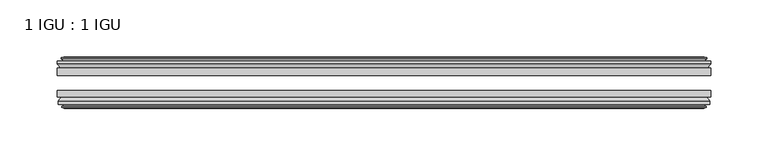
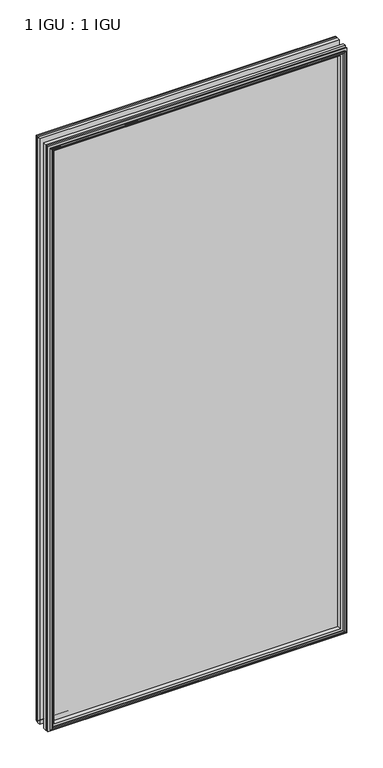
"""IFC4 building model written with IfcOpenShell, lengths in millimetres: plate geometry, 1 IGU : 1 IGU."""

import ifcopenshell
import ifcopenshell.guid

model = None  # the IFC model being written
_history = None  # IfcOwnerHistory: only IFC2X3 demands one
_inside = {}  # id of a spatial element -> (the spatial element, [elements in it])
_under = {}  # id of a project, library or spatial element -> (it, [spatial elements below it])
_declared = {}  # id of a project -> (the project, [libraries it declares])
_typed = {}  # id of a type object -> (the type object, [elements of that type])
_made_of = {}  # id of a material, layer set ... -> (it, [elements and type objects made of it])


def new_model(schema):
    """Start an empty IFC model of exactly this schema.

    Asked for "IFC4X3", IfcOpenShell would pick the latest addendum, in which some entities
    have other attributes; the version numbers below select the first issue.
    IFC2X3 requires an IfcOwnerHistory on every rooted entity: one is made here for all.
    """
    global model, _history
    if schema == "IFC4X3":
        model = ifcopenshell.file(schema_version=(4, 3, 0, 0))
    else:
        model = ifcopenshell.file(schema=schema)
    _inside.clear()
    _under.clear()
    _declared.clear()
    _typed.clear()
    _made_of.clear()
    _history = None
    if model.schema == "IFC2X3":
        org = make("IfcOrganization", Name="unknown")
        user = make(
            "IfcPersonAndOrganization",
            ThePerson=make("IfcPerson", FamilyName="unknown"),
            TheOrganization=org,
        )
        app = make(
            "IfcApplication",
            ApplicationDeveloper=org,
            Version="unknown",
            ApplicationFullName="unknown",
            ApplicationIdentifier="unknown",
        )
        _history = make(
            "IfcOwnerHistory",
            OwningUser=user,
            OwningApplication=app,
            ChangeAction="ADDED",
            CreationDate=0,
        )
    return model


def make(cls, **values):
    """One entity of the class cls with the attributes given. An attribute that is None is left unset."""
    return model.create_entity(
        cls, **{name: value for name, value in values.items() if value is not None}
    )


def rooted(cls, **values):
    """An entity with a GlobalId (a new one), such as an element, a storey or a relation."""
    return make(cls, GlobalId=ifcopenshell.guid.new(), OwnerHistory=_history, **values)


def si_unit(unit_type, name, prefix=None):
    """IfcSIUnit, for example si_unit("LENGTHUNIT", "METRE", prefix="MILLI")."""
    return make("IfcSIUnit", UnitType=unit_type, Prefix=prefix, Name=name)


def assignment(units):
    """IfcUnitAssignment: the units of a project."""
    return None if units is None else make("IfcUnitAssignment", Units=units)


def point(xyz):
    """IfcCartesianPoint."""
    return None if xyz is None else make("IfcCartesianPoint", Coordinates=xyz)


def direction(xyz):
    """IfcDirection."""
    return None if xyz is None else make("IfcDirection", DirectionRatios=xyz)


def frame(location, z_axis=None, x_axis=None):
    """IfcAxis2Placement3D, a coordinate frame: its origin and axes. An axis left out is left unset."""
    return make(
        "IfcAxis2Placement3D",
        Location=point(location),
        Axis=direction(z_axis),
        RefDirection=direction(x_axis),
    )


def origin():
    """The frame at (0, 0, 0) with its axes left unset."""
    return frame((0.0, 0.0, 0.0))


def place(relative_to, where):
    """IfcLocalPlacement: puts the frame where relative to a parent placement (None: the world)."""
    return make(
        "IfcLocalPlacement", PlacementRelTo=relative_to, RelativePlacement=where
    )


def context(
    kind, dimensions, precision=None, world=None, true_north=None, identifier=None
):
    """IfcGeometricRepresentationContext, for example the 3D "Model" context."""
    return make(
        "IfcGeometricRepresentationContext",
        ContextIdentifier=identifier,
        ContextType=kind,
        CoordinateSpaceDimension=dimensions,
        Precision=precision,
        WorldCoordinateSystem=world,
        TrueNorth=true_north,
    )


def project(units=None, contexts=None):
    """IfcProject with its units and contexts."""
    return rooted(
        "IfcProject",
        Name="project",
        RepresentationContexts=contexts,
        UnitsInContext=assignment(units),
    )


def spatial(cls, under=None, at=None, **own):
    """A site, building, storey or space (cls), placed at a placement, below another one or the project."""
    s = rooted(cls, ObjectPlacement=at, **own)
    if under is not None:
        _under.setdefault(under.id(), (under, []))[1].append(s)
    return s


def polyline(points):
    """IfcPolyline through the points."""
    return make("IfcPolyline", Points=[point(p) for p in points])


def outline(outer, holes=None, kind="AREA"):
    """IfcArbitraryClosedProfileDef: a profile drawn as a closed curve; with holes, ...WithVoids."""
    if holes is None:
        return make("IfcArbitraryClosedProfileDef", ProfileType=kind, OuterCurve=outer)
    return make(
        "IfcArbitraryProfileDefWithVoids",
        ProfileType=kind,
        OuterCurve=outer,
        InnerCurves=holes,
    )


def extrude(swept, where, along, depth):
    """IfcExtrudedAreaSolid: the profile swept, set in the frame where, extruded along a direction by depth."""
    return make(
        "IfcExtrudedAreaSolid",
        SweptArea=swept,
        Position=where,
        ExtrudedDirection=direction(along),
        Depth=depth,
    )


def faces_of(points, faces, orient=None, outer=None):
    """IfcFace entities. A face is a list of loops; a loop is a list of indices into points, from 0.

    orient and outer hold one flag for each loop. By default every Orientation is true, the
    first loop of a face is its IfcFaceOuterBound and the others are IfcFaceBound.
    """
    made = []
    for i, loops in enumerate(faces):
        bounds = []
        for j, loop in enumerate(loops):
            is_outer = j == 0 if outer is None else outer[i][j]
            bounds.append(
                make(
                    "IfcFaceOuterBound" if is_outer else "IfcFaceBound",
                    Bound=make("IfcPolyLoop", Polygon=[points[k] for k in loop]),
                    Orientation=True if orient is None else orient[i][j],
                )
            )
        made.append(make("IfcFace", Bounds=bounds))
    return made


def faceted_brep(points, faces, orient=None, outer=None, voids=None):
    """IfcFacetedBrep: a solid bounded by flat faces; with voids (closed shells), ...WithVoids."""
    shared = [point(p) for p in points]
    hull = make("IfcClosedShell", CfsFaces=faces_of(shared, faces, orient, outer))
    if voids is None:
        return make("IfcFacetedBrep", Outer=hull)
    return make(
        "IfcFacetedBrepWithVoids",
        Outer=hull,
        Voids=[
            make(cls, CfsFaces=faces_of(shared, fs, o, b)) for cls, fs, o, b in voids
        ],
    )


def shape(context_of_items, identifier, shape_type, items):
    """IfcShapeRepresentation: the items that make up one representation, for example the "Body"."""
    return make(
        "IfcShapeRepresentation",
        ContextOfItems=context_of_items,
        RepresentationIdentifier=identifier,
        RepresentationType=shape_type,
        Items=items,
    )


def source(mapping_origin, context_of_items, identifier, shape_type, items):
    """IfcRepresentationMap: a shape defined once, which mapped items show again and again."""
    return make(
        "IfcRepresentationMap",
        MappingOrigin=mapping_origin,
        MappedRepresentation=shape(context_of_items, identifier, shape_type, items),
    )


def transform(
    local_origin,
    x_axis=None,
    y_axis=None,
    z_axis=None,
    scale=None,
    scale2=None,
    scale3=None,
    uniform=True,
):
    """IfcCartesianTransformationOperator3D, or its non-uniform kind. x_axis, y_axis, z_axis: its Axis1, 2, 3."""
    if uniform:
        return make(
            "IfcCartesianTransformationOperator3D",
            Axis1=direction(x_axis),
            Axis2=direction(y_axis),
            LocalOrigin=point(local_origin),
            Scale=scale,
            Axis3=direction(z_axis),
        )
    return make(
        "IfcCartesianTransformationOperator3DnonUniform",
        Axis1=direction(x_axis),
        Axis2=direction(y_axis),
        LocalOrigin=point(local_origin),
        Scale=scale,
        Axis3=direction(z_axis),
        Scale2=scale2,
        Scale3=scale3,
    )


def mapped(mapping_source, mapping_target):
    """IfcMappedItem: shows the shape of a source again, moved by a transform."""
    return make(
        "IfcMappedItem", MappingSource=mapping_source, MappingTarget=mapping_target
    )


def made_of(thing, what):
    """Note that an element or type object is made of a material, layer set ...; save() writes the relation."""
    if what is not None:
        _made_of.setdefault(what.id(), (what, []))[1].append(thing)
    return thing


def element(
    cls,
    number,
    at=None,
    inside=None,
    cuts=None,
    type_object=None,
    material=None,
    context=None,
    identifier="Body",
    shape_type=None,
    held_by="IfcProductDefinitionShape",
    body=None,
    shapes=None,
    **own,
):
    """One element of the class cls, such as IfcWall. Its Tag is "e" and its number.

    at: its placement. inside: the storey or other place that contains it. cuts: it is an
    opening in that element (IfcRelVoidsElement). A single representation is given by context,
    identifier, shape_type and body (its items); several are given by shapes. held_by: the class
    of the entity that holds the representations. save() writes the other relations.
    """
    e = rooted(cls, Tag="e%d" % number, ObjectPlacement=at, **own)
    if body is not None:
        shapes = [shape(context, identifier, shape_type, body)]
    if shapes is not None:
        e.Representation = make(held_by, Representations=shapes)
    if inside is not None:
        _inside.setdefault(inside.id(), (inside, []))[1].append(e)
    if cuts is not None:
        rooted(
            "IfcRelVoidsElement", RelatingBuildingElement=cuts, RelatedOpeningElement=e
        )
    if type_object is not None:
        _typed.setdefault(type_object.id(), (type_object, []))[1].append(e)
    return made_of(e, material)


def aggregate(whole, parts):
    """IfcRelAggregates: a whole, such as a stair, and the parts it consists of."""
    return rooted("IfcRelAggregates", RelatingObject=whole, RelatedObjects=parts)


def save(model, path):
    """Write the relations noted so far, then the file.

    IfcRelAggregates (storeys below a building ...), IfcRelContainedInSpatialStructure (elements
    in a storey), IfcRelDefinesByType, IfcRelAssociatesMaterial and IfcRelDeclares: one each for
    every whole, place, type object, material and project.
    """
    for whole, parts in _under.values():
        aggregate(whole, parts)
    for where, things in _inside.values():
        rooted(
            "IfcRelContainedInSpatialStructure",
            RelatedElements=things,
            RelatingStructure=where,
        )
    for kind, things in _typed.values():
        rooted("IfcRelDefinesByType", RelatedObjects=things, RelatingType=kind)
    for what, things in _made_of.values():
        rooted("IfcRelAssociatesMaterial", RelatedObjects=things, RelatingMaterial=what)
    for by, libraries in _declared.values():
        rooted("IfcRelDeclares", RelatingContext=by, RelatedDefinitions=libraries)
    model.write(path)


def plate_1_igu_1_igu_6b5bd295(model_context):
    return source(origin(), model_context, "Body", "SolidModel", [
        extrude(outline(polyline([(285.75, -25.8960937), (285.75, -32.2460938), (-285.75, -32.2460938), (-285.75, -25.8960937), (285.75, -25.8960937)])), frame((0.0, 0.0, -12.7), z_axis=(0.0, 0.0, 1.0), x_axis=(1.0, 0.0, 0.0)), (0.0, 0.0, 1.0), 1181.1),
        extrude(outline(polyline([(-285.75, -51.2960938), (-285.75, -45.2686737), (285.75, -45.2686737), (285.75, -51.2960938), (-285.75, -51.2960938)])), frame((0.0, 0.0, -12.7), z_axis=(0.0, 0.0, 1.0), x_axis=(1.0, 0.0, 0.0)), (0.0, 0.0, 1.0), 1181.1),
        faceted_brep([(-280.162, -60.0262907, 1162.812), (-280.543, -57.6460937, 1163.193), (-280.543, -57.6460937, -7.493), (-280.162, -60.0262907, -7.112), (-281.5775291, -59.5663575, 1164.2275291), (-281.5775291, -59.5663575, -8.5275291), (-281.5775291, -60.3675717, 1164.2275291), (-281.5775291, -60.3675717, -8.5275291), (-279.4, -61.0750937, 1162.05), (-279.4, -61.0750937, -6.35), (-277.2224709, -60.3675717, 1159.8724709), (-277.2224709, -60.3675717, -4.1724709), (-277.2224709, -59.5663575, 1159.8724709), (-277.2224709, -59.5663575, -4.1724709), (-278.638, -60.0262907, 1161.288), (-278.638, -60.0262907, -5.588), (-278.257, -57.6460937, 1160.907), (-278.257, -57.6460937, -5.207), (-271.3322819, -51.2960937, 1153.9822819), (-273.05, -57.6460937, 1155.7), (-273.05, -57.6460937, 0.0), (-271.3322819, -51.2960937, 1.7177181), (-284.988, -54.6996937, 1167.638), (-282.1536578, -51.2960937, 1164.8036578), (-282.1536578, -51.2960937, -9.1036578), (-284.988, -54.6996937, -11.938), (-284.988, -57.6460937, 1167.638), (-284.988, -57.6460937, -11.938), (280.543, -57.6460938, -7.493), (280.162, -60.0262907, -7.112), (281.5775291, -59.5663575, -8.5275291), (281.5775291, -60.3675717, -8.5275291), (279.4, -61.0750937, -6.35), (277.2224709, -60.3675717, -4.1724709), (277.2224709, -59.5663575, -4.1724709), (278.638, -60.0262907, -5.588), (278.257, -57.6460937, -5.207), (273.05, -57.6460937, 0.0), (271.3322819, -51.2960937, 1.7177181), (282.1536578, -51.2960937, -9.1036578), (284.988, -54.6996937, -11.938), (284.988, -57.6460938, -11.938), (280.543, -57.6460938, 1163.193), (280.162, -60.0262907, 1162.812), (281.5775291, -59.5663575, 1164.2275291), (281.5775291, -60.3675717, 1164.2275291), (279.4, -61.0750937, 1162.05), (277.2224709, -60.3675717, 1159.8724709), (277.2224709, -59.5663575, 1159.8724709), (278.638, -60.0262907, 1161.288), (278.257, -57.6460937, 1160.907), (273.05, -57.6460937, 1155.7), (271.3322819, -51.2960937, 1153.9822819), (282.1536578, -51.2960937, 1164.8036578), (284.988, -54.6996937, 1167.638), (284.988, -57.6460938, 1167.638)], [[[0, 1, 2, 3]], [[4, 0, 3, 5]], [[6, 4, 5, 7]], [[8, 6, 7, 9]], [[10, 8, 9, 11]], [[12, 10, 11, 13]], [[14, 12, 13, 15]], [[16, 14, 15, 17]], [[18, 19, 20, 21]], [[22, 23, 24, 25]], [[26, 22, 25, 27]], [[3, 2, 28, 29]], [[5, 3, 29, 30]], [[7, 5, 30, 31]], [[9, 7, 31, 32]], [[11, 9, 32, 33]], [[13, 11, 33, 34]], [[15, 13, 34, 35]], [[17, 15, 35, 36]], [[21, 20, 37, 38]], [[25, 24, 39, 40]], [[27, 25, 40, 41]], [[29, 28, 42, 43]], [[30, 29, 43, 44]], [[31, 30, 44, 45]], [[32, 31, 45, 46]], [[33, 32, 46, 47]], [[34, 33, 47, 48]], [[35, 34, 48, 49]], [[36, 35, 49, 50]], [[38, 37, 51, 52]], [[40, 39, 53, 54]], [[41, 40, 54, 55]], [[27, 41, 55, 26], [1, 42, 28, 2]], [[43, 42, 1, 0]], [[44, 43, 0, 4]], [[45, 44, 4, 6]], [[46, 45, 6, 8]], [[47, 46, 8, 10]], [[48, 47, 10, 12]], [[49, 48, 12, 14]], [[50, 49, 14, 16]], [[17, 36, 50, 16], [19, 51, 37, 20]], [[52, 51, 19, 18]], [[23, 53, 39, 24], [21, 38, 52, 18]], [[54, 53, 23, 22]], [[55, 54, 22, 26]]]),
        faceted_brep([(-282.6743578, -25.8960937, 1165.3243578), (-285.5087, -22.4924937, 1168.1587), (-285.5087, -22.4924937, -12.4587), (-282.6743578, -25.8960937, -9.6243578), (-273.5707, -19.5460937, 1156.2207), (-271.8529819, -25.8960937, 1154.5029819), (-271.8529819, -25.8960937, 1.1970181), (-273.5707, -19.5460937, -0.5207), (-279.1587, -17.1658968, 1161.8087), (-278.7777, -19.5460937, 1161.4277), (-278.7777, -19.5460937, -5.7277), (-279.1587, -17.1658968, -6.1087), (-277.7431709, -17.62583, 1160.3931709), (-277.7431709, -17.62583, -4.6931709), (-277.7431709, -16.8246158, 1160.3931709), (-277.7431709, -16.8246158, -4.6931709), (-279.9207, -16.1170937, 1162.5707), (-279.9207, -16.1170937, -6.8707), (-282.0982291, -16.8246158, 1164.7482291), (-282.0982291, -16.8246158, -9.0482291), (-282.0982291, -17.62583, 1164.7482291), (-282.0982291, -17.62583, -9.0482291), (-280.6827, -17.1658968, 1163.3327), (-280.6827, -17.1658968, -7.6327), (-281.0637, -19.5460937, 1163.7137), (-281.0637, -19.5460937, -8.0137), (-285.5087, -19.5460937, 1168.1587), (-285.5087, -19.5460937, -12.4587), (285.5087, -22.4924937, -12.4587), (282.6743578, -25.8960937, -9.6243578), (271.8529819, -25.8960937, 1.1970181), (273.5707, -19.5460937, -0.5207), (278.7777, -19.5460937, -5.7277), (279.1587, -17.1658968, -6.1087), (277.7431709, -17.62583, -4.6931709), (277.7431709, -16.8246158, -4.6931709), (279.9207, -16.1170937, -6.8707), (282.0982291, -16.8246158, -9.0482291), (282.0982291, -17.62583, -9.0482291), (280.6827, -17.1658968, -7.6327), (281.0637, -19.5460937, -8.0137), (285.5087, -19.5460937, -12.4587), (285.5087, -22.4924937, 1168.1587), (282.6743578, -25.8960937, 1165.3243578), (271.8529819, -25.8960937, 1154.5029819), (273.5707, -19.5460937, 1156.2207), (278.7777, -19.5460937, 1161.4277), (279.1587, -17.1658968, 1161.8087), (277.7431709, -17.62583, 1160.3931709), (277.7431709, -16.8246158, 1160.3931709), (279.9207, -16.1170937, 1162.5707), (282.0982291, -16.8246158, 1164.7482291), (282.0982291, -17.62583, 1164.7482291), (280.6827, -17.1658968, 1163.3327), (281.0637, -19.5460937, 1163.7137), (285.5087, -19.5460937, 1168.1587)], [[[0, 1, 2, 3]], [[4, 5, 6, 7]], [[8, 9, 10, 11]], [[12, 8, 11, 13]], [[14, 12, 13, 15]], [[16, 14, 15, 17]], [[18, 16, 17, 19]], [[20, 18, 19, 21]], [[22, 20, 21, 23]], [[24, 22, 23, 25]], [[1, 26, 27, 2]], [[3, 2, 28, 29]], [[7, 6, 30, 31]], [[11, 10, 32, 33]], [[13, 11, 33, 34]], [[15, 13, 34, 35]], [[17, 15, 35, 36]], [[19, 17, 36, 37]], [[21, 19, 37, 38]], [[23, 21, 38, 39]], [[25, 23, 39, 40]], [[2, 27, 41, 28]], [[29, 28, 42, 43]], [[31, 30, 44, 45]], [[33, 32, 46, 47]], [[34, 33, 47, 48]], [[35, 34, 48, 49]], [[36, 35, 49, 50]], [[37, 36, 50, 51]], [[38, 37, 51, 52]], [[39, 38, 52, 53]], [[40, 39, 53, 54]], [[28, 41, 55, 42]], [[43, 42, 1, 0]], [[3, 29, 43, 0], [5, 44, 30, 6]], [[45, 44, 5, 4]], [[9, 46, 32, 10], [7, 31, 45, 4]], [[47, 46, 9, 8]], [[48, 47, 8, 12]], [[49, 48, 12, 14]], [[50, 49, 14, 16]], [[51, 50, 16, 18]], [[52, 51, 18, 20]], [[53, 52, 20, 22]], [[54, 53, 22, 24]], [[26, 55, 41, 27], [25, 40, 54, 24]], [[42, 55, 26, 1]]]),
    ])


if __name__ == "__main__":
    model = new_model("IFC4")
    model_context = context("Model", 3, world=origin())
    ifc_project = project(units=[si_unit("LENGTHUNIT", "METRE", prefix="MILLI")], contexts=[model_context])
    site = spatial("IfcSite", under=ifc_project)
    building = spatial("IfcBuilding", under=site)
    placement = place(None, origin())
    plate_1_igu_1_igu_shape = plate_1_igu_1_igu_6b5bd295(model_context)
    element("IfcPlate", 1, ObjectType="1 IGU : 1 IGU", at=placement, inside=building, context=model_context, shape_type="MappedRepresentation", body=[
        mapped(plate_1_igu_1_igu_shape, transform((0.0, 0.0, 0.0), x_axis=(1.0, 0.0, 0.0), y_axis=(0.0, 1.0, 0.0), z_axis=(0.0, 0.0, 1.0))),
    ])
    save(model, "model.ifc")
